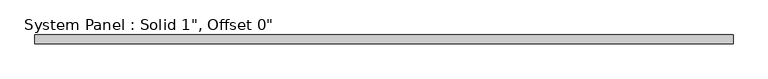
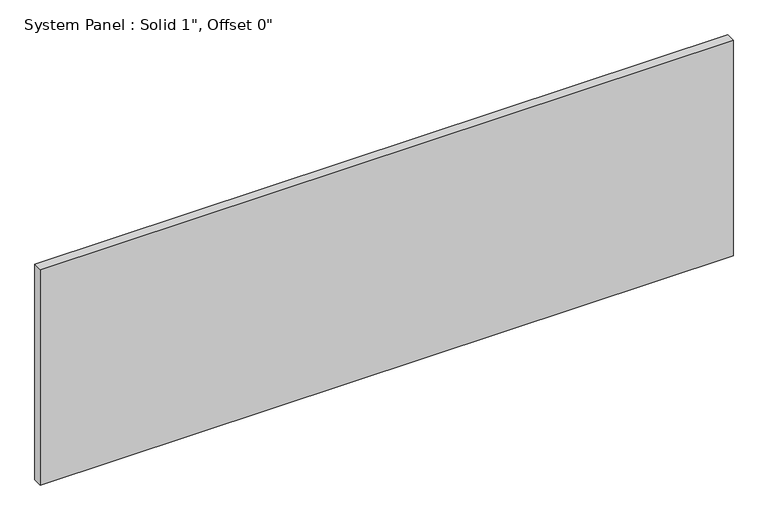
"""IFC4 building model written with IfcOpenShell, lengths in millimetres: plate geometry."""

from ifc_helpers import new_model, si_unit, origin, origin_with_axes, place, context, project, spatial, polyline, outline, extrude, source, transform, mapped, element, save


def plate_9d1f6c03(model_context):
    return source(origin(), model_context, "Body", "SweptSolid", [
        extrude(outline(polyline([(981.075, -12.7), (-981.075, -12.7), (-981.075, 12.7), (981.075, 12.7), (981.075, -12.7)])), origin_with_axes(), (0.0, 0.0, 1.0), 645.1995022),
    ])


if __name__ == "__main__":
    model = new_model("IFC4")
    model_context = context("Model", 3, world=origin())
    ifc_project = project(units=[si_unit("LENGTHUNIT", "METRE", prefix="MILLI")], contexts=[model_context])
    site = spatial("IfcSite", under=ifc_project)
    building = spatial("IfcBuilding", under=site)
    placement = place(None, origin())
    plate_shape = plate_9d1f6c03(model_context)
    element("IfcPlate", 1, ObjectType="System Panel : Solid 1\", Offset 0\"", at=placement, inside=building, context=model_context, shape_type="MappedRepresentation", body=[
        mapped(plate_shape, transform((0.0, 0.0, 0.0), x_axis=(1.0, 0.0, 0.0), y_axis=(0.0, 1.0, 0.0), z_axis=(0.0, 0.0, 1.0))),
    ])
    save(model, "model.ifc")
